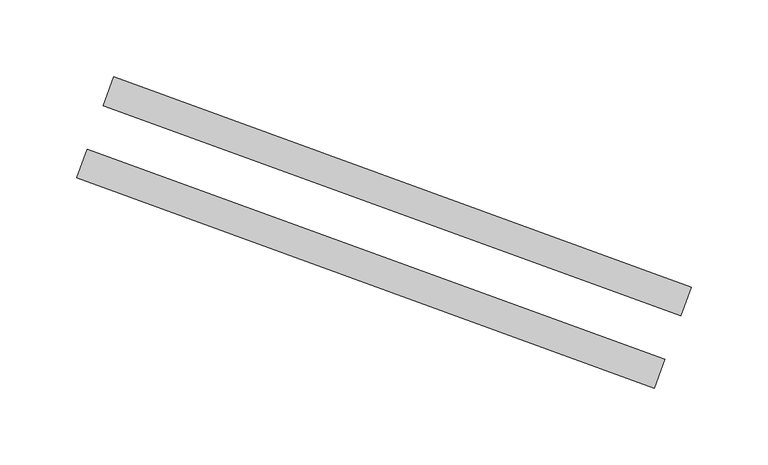
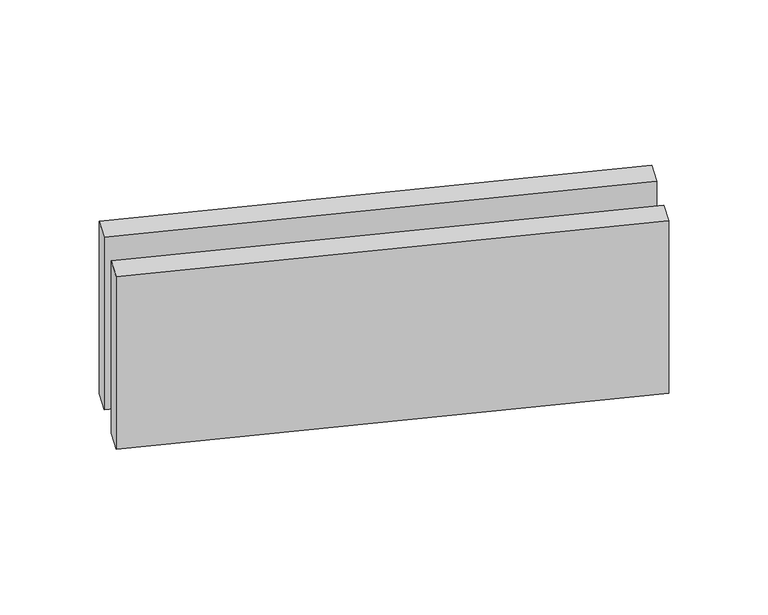
"""IFC4 building model written with IfcOpenShell, lengths in millimetres: proxy geometry."""

from ifc_helpers import new_model, si_unit, origin, origin_with_axes, place, context, project, spatial, polyline, outline, extrude, source, transform, mapped, element, save


def generic_models_43b23234(model_context):
    return source(origin(), model_context, "Body", "SweptSolid", [
        extrude(outline(polyline([(381.0073505, -122.712668), (5.1303021, 14.0953893), (11.970705, 32.8892417), (387.8477533, -103.9188156), (381.0073505, -122.712668)])), origin_with_axes(), (0.0, 0.0, 1.0), 150.0),
        extrude(outline(polyline([(363.9063433, -169.6972991), (-11.970705, -32.8892417), (-5.1303021, -14.0953893), (370.7467462, -150.9034466), (363.9063433, -169.6972991)])), origin_with_axes(), (0.0, 0.0, 1.0), 150.0),
    ])


if __name__ == "__main__":
    model = new_model("IFC4")
    model_context = context("Model", 3, world=origin())
    ifc_project = project(units=[si_unit("LENGTHUNIT", "METRE", prefix="MILLI")], contexts=[model_context])
    site = spatial("IfcSite", under=ifc_project)
    building = spatial("IfcBuilding", under=site)
    placement = place(None, origin())
    generic_models_shape = generic_models_43b23234(model_context)
    element("IfcBuildingElementProxy", 1, Name="Generic Models", at=placement, inside=building, context=model_context, shape_type="MappedRepresentation", body=[
        mapped(generic_models_shape, transform((0.0, 0.0, 0.0), x_axis=(1.0, 0.0, 0.0), y_axis=(0.0, 1.0, 0.0), z_axis=(0.0, 0.0, 1.0))),
    ])
    save(model, "model.ifc")
